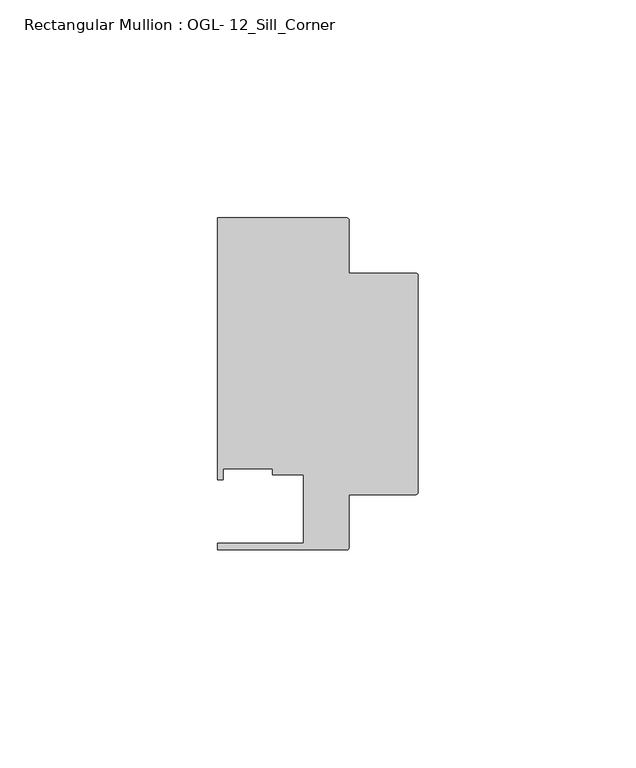
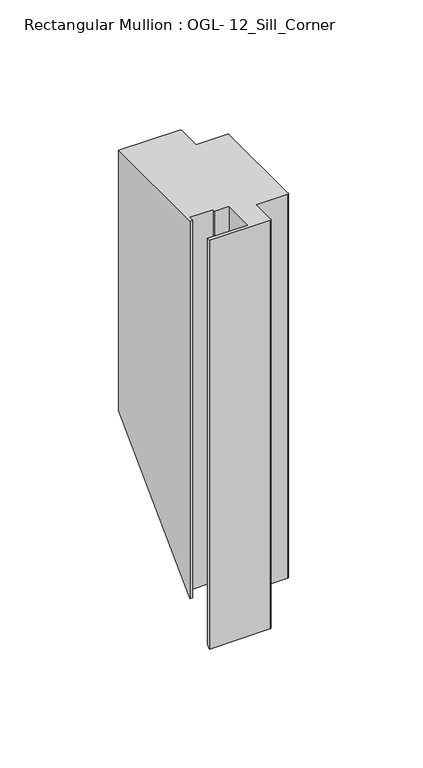
"""IFC4 building model written with IfcOpenShell, lengths in millimetres: member geometry, Rectangular Mullion : OGL- 12_Sill_Corner."""

from ifc_helpers import new_model, si_unit, frame, origin, place, context, project, spatial, circle_curve, ellipse_curve, source, transform, mapped, element, save
from ifc_brep_helpers import plane_surface, cylinder_surface, advanced_brep


def rectangular_mullion_ogl_12_sill_corner_0ac17230(model_context):
    return source(origin(), model_context, "Body", "AdvancedBrep", [
        advanced_brep(
        [(-0.5953125, 55.5625, 0.0), (-15.8750672, 55.5625, 0.0), (-15.8750672, 67.6668667, 0.0), (-16.4703797, 68.2621792, 0.0), (-46.0339598, 68.2621792, 0.0), (-46.0339598, 8.1914024, 0.0), (-44.7780305, 8.1914024, 0.0), (-44.7780305, 10.6800725, 0.0), (-33.3985545, 10.6800725, 0.0), (-33.3985545, 9.3367652, 0.0), (-26.3720794, 9.3367652, 0.0), (-26.3720794, -6.350016, 0.0), (-46.0248655, -6.350016, 0.0), (-46.0248655, -7.937516, 0.0), (-16.4703797, -7.937516, 0.0), (-15.8750672, -7.3422035, 0.0), (-15.8750672, 4.7625, 0.0), (-0.5953125, 4.7625, 0.0), (0.0, 5.3578125, 0.0), (0.0, 54.9671875, 0.0), (-0.5953125, 55.5625, -146.3940155), (-15.8750672, 55.5625, -146.3940155), (-15.8750672, 67.6668667, -134.2896488), (-16.4703797, 68.2621792, -133.6943363), (-46.0339598, 68.2621792, -133.6943363), (-46.0339598, 8.1914024, -193.7651131), (-44.7780305, 8.1914024, -193.7651131), (-44.7780305, 10.6800725, -191.2764429), (-33.3985545, 10.6800725, -191.2764429), (-33.3985545, 9.3367652, -192.6197503), (-26.3720794, 9.3367652, -192.6197503), (-26.3720794, -6.350016, -208.3065314), (-46.0248655, -6.350016, -208.3065314), (-46.0248655, -7.937516, -209.8940314), (-16.4703797, -7.937516, -209.8940314), (-15.8750672, -7.3422035, -209.2987189), (-15.8750672, 4.7625, -197.1940154), (-0.5953125, 4.7625, -197.1940154), (0.0, 5.3578125, -196.5987029), (0.0, 54.9671875, -146.989328)],
        [
            (0, 1),
            (1, 2),
            (2, 3, circle_curve(frame((-16.4703797, 67.6668667, 0.0), z_axis=(0.0, 0.0, 1.0), x_axis=(-1.0, 0.0, 0.0)), 0.5953125)),
            (3, 4),
            (4, 5),
            (5, 6),
            (6, 7),
            (7, 8),
            (8, 9),
            (9, 10),
            (10, 11),
            (11, 12),
            (12, 13),
            (13, 14),
            (14, 15, circle_curve(frame((-16.4703797, -7.3422035, 0.0), z_axis=(0.0, 0.0, 1.0), x_axis=(-1.0, 0.0, 0.0)), 0.5953125)),
            (15, 16),
            (16, 17),
            (17, 18, circle_curve(frame((-0.5953125, 5.3578125, 0.0), z_axis=(0.0, 0.0, 1.0), x_axis=(-1.0, 0.0, 0.0)), 0.5953125)),
            (18, 19),
            (19, 0, circle_curve(frame((-0.5953125, 54.9671875, 0.0), z_axis=(0.0, 0.0, 1.0), x_axis=(0.0, 1.0, 0.0)), 0.5953125)),
            (0, 20),
            (20, 21),
            (21, 1),
            (21, 22),
            (22, 2),
            (3, 23),
            (23, 24),
            (24, 4),
            (24, 25),
            (25, 5),
            (25, 26),
            (26, 6),
            (26, 27),
            (27, 7),
            (27, 28),
            (28, 8),
            (28, 29),
            (29, 9),
            (29, 30),
            (30, 10),
            (30, 31),
            (31, 11),
            (31, 32),
            (32, 12),
            (32, 33),
            (33, 13),
            (33, 34),
            (34, 14),
            (15, 35),
            (35, 36),
            (36, 16),
            (36, 37),
            (37, 17),
            (18, 38),
            (38, 39),
            (39, 19),
            (39, 20, ellipse_curve(frame((-0.5953125, 54.9671875, -146.989328), z_axis=(0.0, -0.7071067811865455, 0.7071067811865497), x_axis=(0.0, 0.7071067811865497, 0.7071067811865454)), 0.841899, 0.5953125)),
            (38, 37, ellipse_curve(frame((-0.5953125, 5.3578125, -196.5987029), z_axis=(0.0, 0.7071067811865455, -0.7071067811865497), x_axis=(0.0, 0.7071067811865497, 0.7071067811865454)), 0.841899, 0.5953125)),
            (35, 34, ellipse_curve(frame((-16.4703797, -7.3422035, -209.2987189), z_axis=(0.0, 0.7071067811865455, -0.7071067811865497), x_axis=(0.0, 0.7071067811865497, 0.7071067811865454)), 0.841899, 0.5953125)),
            (23, 22, ellipse_curve(frame((-16.4703797, 67.6668667, -134.2896488), z_axis=(0.0, 0.7071067811865455, -0.7071067811865497), x_axis=(0.0, 0.7071067811865497, 0.7071067811865454)), 0.841899, 0.5953125)),
        ],
        [
            plane_surface(frame((0.0, -82.3337754, 0.0), z_axis=(0.0, 0.0, 1.0), x_axis=(-1.0, 0.0, 0.0))),
            plane_surface(frame((-0.5953125, 55.5625, 0.0), z_axis=(0.0, 1.0, 0.0), x_axis=(0.0, 0.0, -1.0))),
            plane_surface(frame((-15.8750672, 55.5625, 0.0), z_axis=(1.0, 0.0, 0.0), x_axis=(0.0, 0.0, -1.0))),
            plane_surface(frame((-16.4703797, 68.2621792, 0.0), z_axis=(0.0, 1.0, 0.0), x_axis=(0.0, 0.0, -1.0))),
            plane_surface(frame((-46.0339598, 68.2621792, 0.0), z_axis=(-1.0, 0.0, 0.0), x_axis=(0.0, 0.0, -1.0))),
            plane_surface(frame((-46.0339598, 8.1914024, 0.0), z_axis=(0.0, -1.0, 0.0), x_axis=(0.0, 0.0, -1.0))),
            plane_surface(frame((-44.7780305, 8.1914024, 0.0), z_axis=(1.0, 0.0, 0.0), x_axis=(0.0, 0.0, -1.0))),
            plane_surface(frame((-44.7780305, 10.6800725, 0.0), z_axis=(0.0, -1.0, 0.0), x_axis=(0.0, 0.0, -1.0))),
            plane_surface(frame((-33.3985545, 10.6800725, 0.0), z_axis=(-1.0, 0.0, 0.0), x_axis=(0.0, 0.0, -1.0))),
            plane_surface(frame((-33.3985545, 9.3367652, 0.0), z_axis=(0.0, -1.0, 0.0), x_axis=(0.0, 0.0, -1.0))),
            plane_surface(frame((-26.3720794, 9.3367652, 0.0), z_axis=(-1.0, 0.0, 0.0), x_axis=(0.0, 0.0, -1.0))),
            plane_surface(frame((-26.3720794, -6.350016, 0.0), z_axis=(0.0, 1.0, 0.0), x_axis=(0.0, 0.0, -1.0))),
            plane_surface(frame((-46.0248655, -6.350016, 0.0), z_axis=(-1.0, 0.0, 0.0), x_axis=(0.0, 0.0, -1.0))),
            plane_surface(frame((-46.0248655, -7.937516, 0.0), z_axis=(0.0, -1.0, 0.0), x_axis=(0.0, 0.0, -1.0))),
            plane_surface(frame((-15.8750672, -7.3422035, 0.0), z_axis=(1.0, 0.0, 0.0), x_axis=(0.0, 0.0, -1.0))),
            plane_surface(frame((-15.8750672, 4.7625, 0.0), z_axis=(0.0, -1.0, 0.0), x_axis=(0.0, 0.0, -1.0))),
            plane_surface(frame((0.0, 5.3578125, 0.0), z_axis=(1.0, 0.0, 0.0), x_axis=(0.0, 0.0, -1.0))),
            cylinder_surface(frame((-0.5953125, 54.9671875, 0.0), z_axis=(0.0, 0.0, 1.0), x_axis=(0.0, 1.0, 0.0)), 0.5953125),
            plane_surface(frame((-304.8, 0.0, -201.9565154), z_axis=(0.0, 0.7071067811865455, -0.7071067811865497), x_axis=(0.0, 0.7071067811865497, 0.7071067811865455))),
            cylinder_surface(frame((-16.4703797, 67.6668667, 0.0), z_axis=(0.0, 0.0, 1.0), x_axis=(-1.0, 0.0, 0.0)), 0.5953125),
            cylinder_surface(frame((-16.4703797, -7.3422035, 0.0), z_axis=(0.0, 0.0, 1.0), x_axis=(-1.0, 0.0, 0.0)), 0.5953125),
            cylinder_surface(frame((-0.5953125, 5.3578125, 0.0), z_axis=(0.0, 0.0, 1.0), x_axis=(-1.0, 0.0, 0.0)), 0.5953125),
        ],
        [
            (0, [[1, 2, 3, 4, 5, 6, 7, 8, 9, 10, 11, 12, 13, 14, 15, 16, 17, 18, 19, 20]]),
            (1, [[-1, 21, 22, 23]]),
            (2, [[-2, -23, 24, 25]]),
            (3, [[-4, 26, 27, 28]]),
            (4, [[-5, -28, 29, 30]]),
            (5, [[-6, -30, 31, 32]]),
            (6, [[-7, -32, 33, 34]]),
            (7, [[-8, -34, 35, 36]]),
            (8, [[-9, -36, 37, 38]]),
            (9, [[-10, -38, 39, 40]]),
            (10, [[-11, -40, 41, 42]]),
            (11, [[-12, -42, 43, 44]]),
            (12, [[-13, -44, 45, 46]]),
            (13, [[-14, -46, 47, 48]]),
            (14, [[-16, 49, 50, 51]]),
            (15, [[-17, -51, 52, 53]]),
            (16, [[-19, 54, 55, 56]]),
            (17, [[-20, -56, 57, -21]]),
            (18, [[-57, -55, 58, -52, -50, 59, -47, -45, -43, -41, -39, -37, -35, -33, -31, -29, -27, 60, -24, -22]]),
            (19, [[-3, -25, -60, -26]]),
            (20, [[-15, -48, -59, -49]]),
            (21, [[-18, -53, -58, -54]]),
        ],
    ),
    ])


if __name__ == "__main__":
    model = new_model("IFC4")
    model_context = context("Model", 3, world=origin())
    ifc_project = project(units=[si_unit("LENGTHUNIT", "METRE", prefix="MILLI")], contexts=[model_context])
    site = spatial("IfcSite", under=ifc_project)
    building = spatial("IfcBuilding", under=site)
    placement = place(None, origin())
    rectangular_mullion_ogl_12_sill_corner_shape = rectangular_mullion_ogl_12_sill_corner_0ac17230(model_context)
    element("IfcMember", 1, ObjectType="Rectangular Mullion : OGL- 12_Sill_Corner", at=placement, inside=building, context=model_context, shape_type="MappedRepresentation", body=[
        mapped(rectangular_mullion_ogl_12_sill_corner_shape, transform((0.0, 0.0, 0.0), x_axis=(1.0, 0.0, 0.0), y_axis=(0.0, 1.0, 0.0), z_axis=(0.0, 0.0, 1.0))),
    ])
    save(model, "model.ifc")
